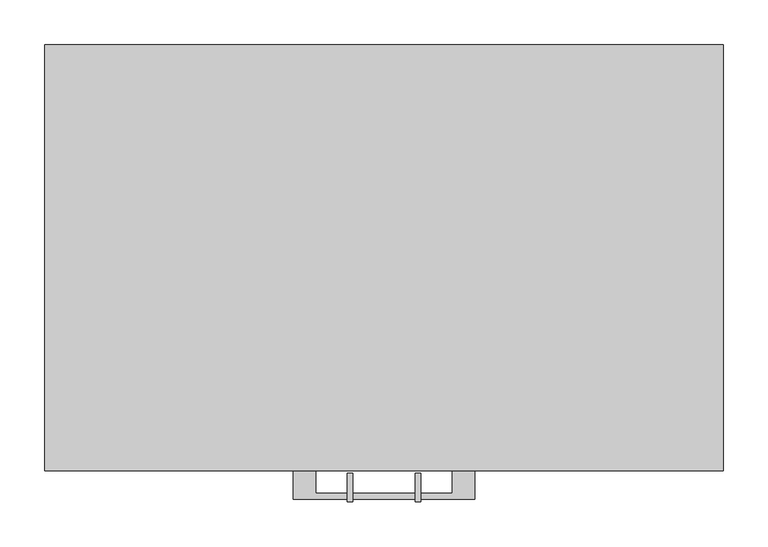
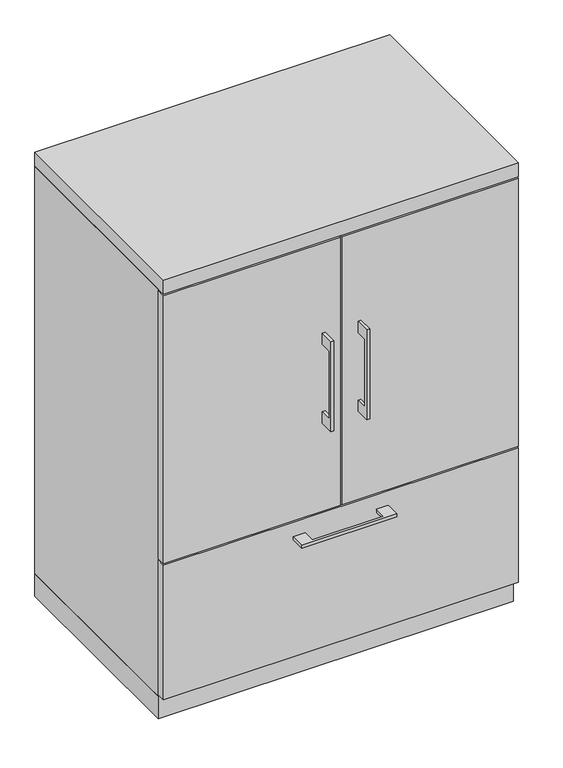
"""IFC4 building model written with IfcOpenShell, lengths in millimetres: furniture geometry."""

from ifc_helpers import new_model, si_unit, frame, origin, origin_with_axes, place, context, project, spatial, polyline, outline, extrude, source, transform, mapped, element, save


def furniture_13833131(model_context):
    return source(origin(), model_context, "Body", "SweptSolid", [
        extrude(outline(polyline([(-479.425, 741.3625), (-504.8249758, 741.3625), (-504.8249758, 588.9625), (-479.425, 588.9625), (-479.425, 563.5625), (-511.1749879, 563.5625), (-511.1749879, 766.7625), (-479.425, 766.7625), (-479.425, 741.3625)])), frame((-41.2749879, 0.0, 0.0), z_axis=(1.0, 0.0, 0.0), x_axis=(0.0, 1.0, 0.0)), (0.0, 0.0, 1.0), 6.3499758),
        extrude(outline(polyline([(-379.4125, -476.25), (-379.4125, -457.2), (-1.5875, -457.2), (-1.5875, -476.25), (-379.4125, -476.25)])), frame((0.0, 0.0, 361.95), z_axis=(0.0, 0.0, 1.0), x_axis=(1.0, 0.0, 0.0)), (0.0, 0.0, 1.0), 606.425),
        extrude(outline(polyline([(-479.425, 741.3625), (-504.8249758, 741.3625), (-504.8249758, 588.9625), (-479.425, 588.9625), (-479.425, 563.5625), (-511.1749879, 563.5625), (-511.1749879, 766.7625), (-479.425, 766.7625), (-479.425, 741.3625)])), frame((34.9250121, 0.0, 0.0), z_axis=(1.0, 0.0, 0.0), x_axis=(0.0, 1.0, 0.0)), (0.0, 0.0, 1.0), 6.3499758),
        extrude(outline(polyline([(379.4125, -476.25), (1.5875, -476.25), (1.5875, -457.2), (379.4125, -457.2), (379.4125, -476.25)])), frame((0.0, 0.0, 361.95), z_axis=(0.0, 0.0, 1.0), x_axis=(1.0, 0.0, 0.0)), (0.0, 0.0, 1.0), 606.425),
        extrude(outline(polyline([(360.3625, -19.05), (360.3625, -457.2), (-360.3625, -457.2), (-360.3625, -19.05), (360.3625, -19.05)])), frame((0.0, 0.0, 657.225), z_axis=(0.0, 0.0, 1.0), x_axis=(1.0, 0.0, 0.0)), (0.0, 0.0, 1.0), 19.05),
        extrude(outline(polyline([(-76.1999818, -476.25), (-76.1999818, -501.6499758), (76.2, -501.6499758), (76.2, -476.25), (101.5999939, -476.25), (101.5999939, -507.9999879), (-101.5999939, -507.9999879), (-101.5999939, -476.25), (-76.1999818, -476.25)])), frame((0.0, 0.0, 319.0875506), z_axis=(0.0, 0.0, 1.0), x_axis=(1.0, 0.0, 0.0)), (0.0, 0.0, 1.0), 6.3499758),
        extrude(outline(polyline([(379.4125, -457.2), (379.4125, -476.25), (-379.4125, -476.25), (-379.4125, -457.2), (379.4125, -457.2)])), frame((0.0, 0.0, 53.975), z_axis=(0.0, 0.0, 1.0), x_axis=(1.0, 0.0, 0.0)), (0.0, 0.0, 1.0), 304.8),
        extrude(outline(polyline([(360.3625, -19.05), (360.3625, -457.2), (-360.3625, -457.2), (-360.3625, -19.05), (360.3625, -19.05)])), frame((0.0, 0.0, 50.8), z_axis=(0.0, 0.0, 1.0), x_axis=(1.0, 0.0, 0.0)), (0.0, 0.0, 1.0), 311.15),
        extrude(outline(polyline([(-379.4125, 0.0), (379.4125, 0.0), (379.4125, -457.2), (360.3625, -457.2), (360.3625, -19.05), (-360.3625, -19.05), (-360.3625, -457.2), (-379.4125, -457.2), (-379.4125, 0.0)])), frame((0.0, 0.0, 50.8), z_axis=(0.0, 0.0, 1.0), x_axis=(1.0, 0.0, 0.0)), (0.0, 0.0, 1.0), 920.75),
        extrude(outline(polyline([(379.4125, 0.0), (379.4125, -476.25), (-379.4125, -476.25), (-379.4125, 0.0), (379.4125, 0.0)])), frame((0.0, 0.0, 971.55), z_axis=(0.0, 0.0, 1.0), x_axis=(1.0, 0.0, 0.0)), (0.0, 0.0, 1.0), 31.75),
        extrude(outline(polyline([(379.4125, 0.0), (379.4125, -457.2), (-379.4125, -457.2), (-379.4125, 0.0), (379.4125, 0.0)])), origin_with_axes(), (0.0, 0.0, 1.0), 50.8),
    ])


if __name__ == "__main__":
    model = new_model("IFC4")
    model_context = context("Model", 3, world=origin())
    ifc_project = project(units=[si_unit("LENGTHUNIT", "METRE", prefix="MILLI")], contexts=[model_context])
    site = spatial("IfcSite", under=ifc_project)
    building = spatial("IfcBuilding", under=site)
    placement = place(None, origin())
    furniture_shape = furniture_13833131(model_context)
    element("IfcFurniture", 1, at=placement, inside=building, context=model_context, shape_type="MappedRepresentation", body=[
        mapped(furniture_shape, transform((0.0, 0.0, 0.0), x_axis=(1.0, 0.0, 0.0), y_axis=(0.0, 1.0, 0.0), z_axis=(0.0, 0.0, 1.0))),
    ])
    save(model, "model.ifc")
